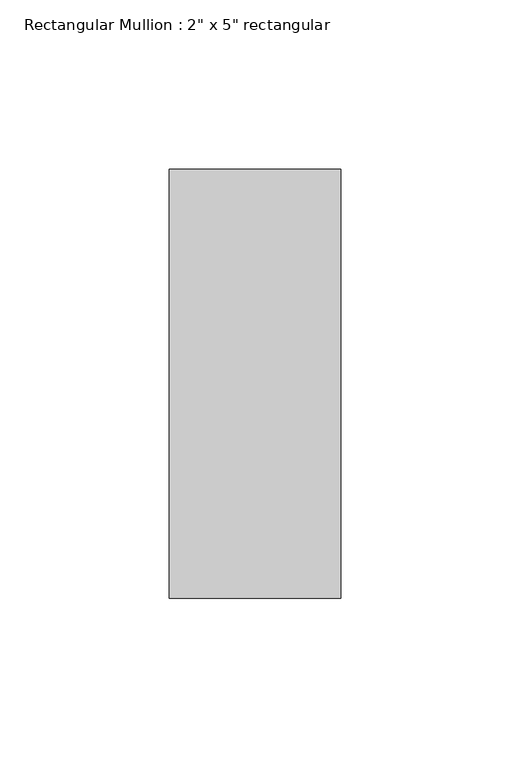
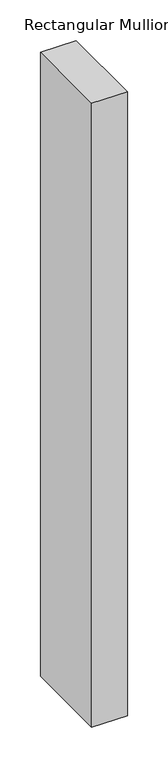
"""IFC4 building model written with IfcOpenShell, lengths in millimetres: member geometry."""

from ifc_helpers import new_model, si_unit, frame, origin, place, context, project, spatial, polyline, outline, extrude, source, transform, mapped, element, save


def member_3b838b6f(model_context):
    return source(origin(), model_context, "Body", "SweptSolid", [
        extrude(outline(polyline([(0.0, 63.5), (0.0, -63.5), (-50.8, -63.5), (-50.8, 63.5), (0.0, 63.5)])), frame((0.0, 0.0, -939.8), z_axis=(0.0, 0.0, 1.0), x_axis=(1.0, 0.0, 0.0)), (0.0, 0.0, 1.0), 939.8),
    ])


if __name__ == "__main__":
    model = new_model("IFC4")
    model_context = context("Model", 3, world=origin())
    ifc_project = project(units=[si_unit("LENGTHUNIT", "METRE", prefix="MILLI")], contexts=[model_context])
    site = spatial("IfcSite", under=ifc_project)
    building = spatial("IfcBuilding", under=site)
    placement = place(None, origin())
    member_shape = member_3b838b6f(model_context)
    element("IfcMember", 1, ObjectType="Rectangular Mullion : 2\" x 5\" rectangular", at=placement, inside=building, context=model_context, shape_type="MappedRepresentation", body=[
        mapped(member_shape, transform((0.0, 0.0, 0.0), x_axis=(1.0, 0.0, 0.0), y_axis=(0.0, 1.0, 0.0), z_axis=(0.0, 0.0, 1.0))),
    ])
    save(model, "model.ifc")
